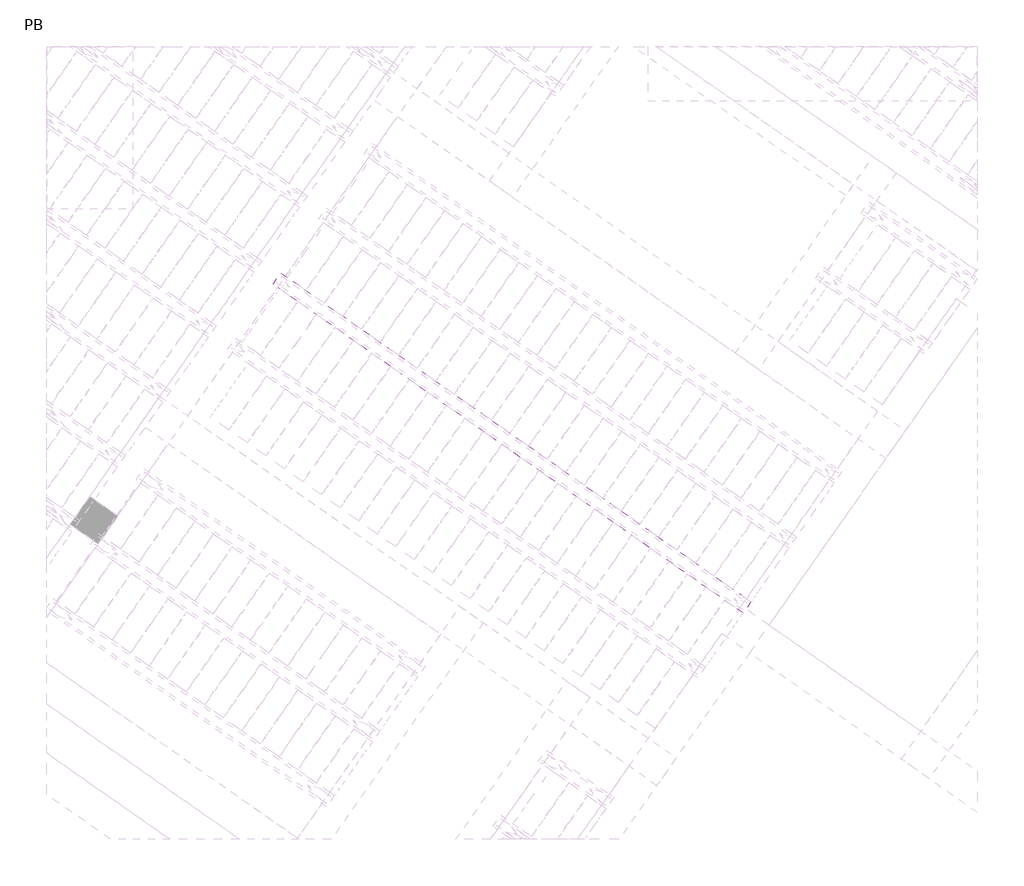
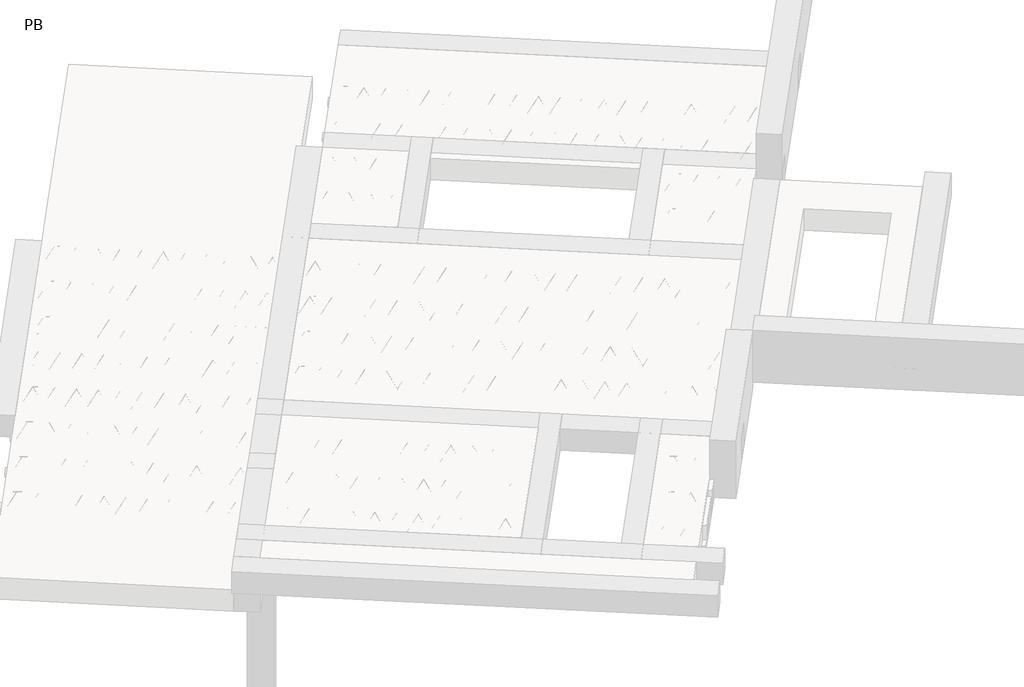
# One storey, part 22 of 56: 1 beam.
"""IFC4 building model written with IfcOpenShell, lengths in millimetres."""

from ifc_helpers import new_model, si_unit, point, frame, origin, origin_2d, place, context, project, spatial, polyline, circle_curve, trimmed, segment, composite_curve, outline, extrude, element, save

model = new_model("IFC4")

# Units and contexts
model_context = context("Model", 3, world=origin())
ifc_project = project(units=[si_unit("LENGTHUNIT", "METRE", prefix="MILLI")], contexts=[model_context])

# Site, building, storey
site = spatial("IfcSite", under=ifc_project)
building = spatial("IfcBuilding", under=site)
storey = spatial("IfcBuildingStorey", under=building, Name="PB", Elevation=95940.0)

# Beam
placement = place(None, origin())
element("IfcBeam", 1, at=placement, inside=storey, context=model_context, shape_type="SweptSolid", body=[
    extrude(outline(polyline([(3726.9826, 4349.0983498), (3795.8117724, 4447.3965951), (7945.2707155, 1541.9141634), (7876.4415431, 1443.6159181), (3726.9826, 4349.0983498)])), frame((0.0, 0.0, 99220.0), z_axis=(0.0, 0.0, 1.0), x_axis=(1.0, 0.0, 0.0)), (0.0, 0.0, 1.0), 50.0),
    extrude(outline(composite_curve([segment(trimmed(circle_curve(origin_2d(), 2.5), [point((-2.5, 0.0))], [point((2.4999999, 0.0))], False, "CARTESIAN"), True, "CONTINUOUS"), segment(trimmed(circle_curve(origin_2d(), 2.5), [point((2.4999999, 0.0))], [point((-2.5, 0.0))], False, "CARTESIAN"), True, "CONTINUOUS")], self_intersect=False)), frame((7870.5477286, 1477.0414016, 99245.0), z_axis=(-0.8191520442696126, 0.5735764363787226, 0.0), x_axis=(0.5735764363787226, 0.8191520442696126, 0.0)), (0.0, 0.0, 1.0), 5017.554035),
    extrude(outline(composite_curve([segment(trimmed(circle_curve(origin_2d(), 2.5), [point((-2.5, 0.0))], [point((2.5, 0.0))], False, "CARTESIAN"), True, "CONTINUOUS"), segment(trimmed(circle_curve(origin_2d(), 2.5), [point((2.5, 0.0))], [point((-2.5, 0.0))], False, "CARTESIAN"), True, "CONTINUOUS")], self_intersect=False)), frame((7822.5703652, 1554.5833983, 99470.0), z_axis=(-0.8191520442696126, 0.5735764363787226, 0.0), x_axis=(0.5735764363787226, 0.8191520442696126, 0.0)), (0.0, 0.0, 1.0), 4850.0),
    extrude(outline(composite_curve([segment(trimmed(circle_curve(origin_2d(), 2.5), [point((-2.5, 0.0))], [point((2.5, 0.0))], False, "CARTESIAN"), True, "CONTINUOUS"), segment(trimmed(circle_curve(origin_2d(), 2.5), [point((2.5, 0.0))], [point((-2.5, 0.0))], False, "CARTESIAN"), True, "CONTINUOUS")], self_intersect=False)), frame((7863.3580168, 1482.075692, 99245.0), z_axis=(-0.3145304735701046, 0.38933448886848654, 0.8657304643902053), x_axis=(0.7778747638402499, 0.6284193279813057, 0.0)), (0.0, 0.0, 1.0), 259.8961331),
    extrude(outline(composite_curve([segment(trimmed(circle_curve(origin_2d(), 2.5), [point((2.5, 0.0))], [point((-2.5, 1e-07))], False, "CARTESIAN"), True, "CONTINUOUS"), segment(trimmed(circle_curve(origin_2d(), 2.5), [point((-2.5, 1e-07))], [point((2.5, 0.0))], False, "CARTESIAN"), True, "CONTINUOUS")], self_intersect=False)), frame((7658.5700057, 1625.4698011, 99245.0), z_axis=(0.47343050384693375, -0.16240172737369005, 0.8657304643902051), x_axis=(-0.3244721671091268, -0.9458952440791246, 0.0)), (0.0, 0.0, 1.0), 259.8961331),
    extrude(outline(composite_curve([segment(trimmed(circle_curve(origin_2d(), 2.5), [point((-2.5, 0.0))], [point((2.5, 0.0))], False, "CARTESIAN"), True, "CONTINUOUS"), segment(trimmed(circle_curve(origin_2d(), 2.5), [point((2.5, 0.0))], [point((-2.5, 0.0))], False, "CARTESIAN"), True, "CONTINUOUS")], self_intersect=False)), frame((7658.5700057, 1625.4698011, 99245.0), z_axis=(-0.3145304735701046, 0.38933448886848654, 0.8657304643902053), x_axis=(0.7778747638402499, 0.6284193279813057, 0.0)), (0.0, 0.0, 1.0), 259.8961331),
    extrude(outline(composite_curve([segment(trimmed(circle_curve(origin_2d(), 2.5), [point((2.5, 0.0))], [point((-2.5, 0.0))], False, "CARTESIAN"), True, "CONTINUOUS"), segment(trimmed(circle_curve(origin_2d(), 2.5), [point((-2.5, 0.0))], [point((2.5, 0.0))], False, "CARTESIAN"), True, "CONTINUOUS")], self_intersect=False)), frame((7453.7819947, 1768.8639102, 99245.0), z_axis=(0.47343050384693375, -0.16240172737369005, 0.8657304643902051), x_axis=(-0.3244721671091268, -0.9458952440791246, 0.0)), (0.0, 0.0, 1.0), 259.8961331),
    extrude(outline(composite_curve([segment(trimmed(circle_curve(origin_2d(), 2.5), [point((-2.5, 0.0))], [point((2.5, 0.0))], False, "CARTESIAN"), True, "CONTINUOUS"), segment(trimmed(circle_curve(origin_2d(), 2.5), [point((2.5, 0.0))], [point((-2.5, 0.0))], False, "CARTESIAN"), True, "CONTINUOUS")], self_intersect=False)), frame((7453.7819947, 1768.8639102, 99245.0), z_axis=(-0.3145304735701046, 0.38933448886848654, 0.8657304643902053), x_axis=(0.7778747638402499, 0.6284193279813057, 0.0)), (0.0, 0.0, 1.0), 259.8961331),
    extrude(outline(composite_curve([segment(trimmed(circle_curve(origin_2d(), 2.5), [point((2.5, 0.0))], [point((-2.5, 0.0))], False, "CARTESIAN"), True, "CONTINUOUS"), segment(trimmed(circle_curve(origin_2d(), 2.5), [point((-2.5, 0.0))], [point((2.5, 0.0))], False, "CARTESIAN"), True, "CONTINUOUS")], self_intersect=False)), frame((7248.9939836, 1912.2580193, 99245.0), z_axis=(0.47343050384693375, -0.16240172737369005, 0.8657304643902051), x_axis=(-0.3244721671091268, -0.9458952440791246, 0.0)), (0.0, 0.0, 1.0), 259.8961331),
    extrude(outline(composite_curve([segment(trimmed(circle_curve(origin_2d(), 2.5), [point((-2.5, 0.0))], [point((2.5, 0.0))], False, "CARTESIAN"), True, "CONTINUOUS"), segment(trimmed(circle_curve(origin_2d(), 2.5), [point((2.5, 0.0))], [point((-2.5, 0.0))], False, "CARTESIAN"), True, "CONTINUOUS")], self_intersect=False)), frame((7248.9939836, 1912.2580193, 99245.0), z_axis=(-0.3145304735701046, 0.38933448886848654, 0.8657304643902053), x_axis=(0.7778747638402499, 0.6284193279813057, 0.0)), (0.0, 0.0, 1.0), 259.8961331),
    extrude(outline(composite_curve([segment(trimmed(circle_curve(origin_2d(), 2.5), [point((2.5, 0.0))], [point((-2.5, 1e-07))], False, "CARTESIAN"), True, "CONTINUOUS"), segment(trimmed(circle_curve(origin_2d(), 2.5), [point((-2.5, 1e-07))], [point((2.5, 0.0))], False, "CARTESIAN"), True, "CONTINUOUS")], self_intersect=False)), frame((7044.2059725, 2055.6521284, 99245.0), z_axis=(0.47343050384693375, -0.16240172737369005, 0.8657304643902051), x_axis=(-0.3244721671091268, -0.9458952440791246, 0.0)), (0.0, 0.0, 1.0), 259.8961331),
    extrude(outline(composite_curve([segment(trimmed(circle_curve(origin_2d(), 2.5), [point((-2.5, 0.0))], [point((2.5, 1e-07))], False, "CARTESIAN"), True, "CONTINUOUS"), segment(trimmed(circle_curve(origin_2d(), 2.5), [point((2.5, 1e-07))], [point((-2.5, 0.0))], False, "CARTESIAN"), True, "CONTINUOUS")], self_intersect=False)), frame((7044.2059729, 2055.6521281, 99245.0), z_axis=(-0.3145304735701046, 0.38933448886848654, 0.8657304643902053), x_axis=(0.7778747638402499, 0.6284193279813057, 0.0)), (0.0, 0.0, 1.0), 259.8961331),
    extrude(outline(composite_curve([segment(trimmed(circle_curve(origin_2d(), 2.5), [point((2.5, 0.0))], [point((-2.5, 0.0))], False, "CARTESIAN"), True, "CONTINUOUS"), segment(trimmed(circle_curve(origin_2d(), 2.5), [point((-2.5, 0.0))], [point((2.5, 0.0))], False, "CARTESIAN"), True, "CONTINUOUS")], self_intersect=False)), frame((6839.4179618, 2199.0462372, 99245.0), z_axis=(0.47343050384693375, -0.16240172737369005, 0.8657304643902051), x_axis=(-0.3244721671091268, -0.9458952440791246, 0.0)), (0.0, 0.0, 1.0), 259.8961331),
    extrude(outline(composite_curve([segment(trimmed(circle_curve(origin_2d(), 2.5), [point((-2.5, 0.0))], [point((2.5, 1e-07))], False, "CARTESIAN"), True, "CONTINUOUS"), segment(trimmed(circle_curve(origin_2d(), 2.5), [point((2.5, 1e-07))], [point((-2.5, 0.0))], False, "CARTESIAN"), True, "CONTINUOUS")], self_intersect=False)), frame((6839.4179618, 2199.0462372, 99245.0), z_axis=(-0.3145304735701046, 0.38933448886848654, 0.8657304643902053), x_axis=(0.7778747638402499, 0.6284193279813057, 0.0)), (0.0, 0.0, 1.0), 259.8961331),
    extrude(outline(composite_curve([segment(trimmed(circle_curve(origin_2d(), 2.5), [point((2.5, 0.0))], [point((-2.5, 0.0))], False, "CARTESIAN"), True, "CONTINUOUS"), segment(trimmed(circle_curve(origin_2d(), 2.5), [point((-2.5, 0.0))], [point((2.5, 0.0))], False, "CARTESIAN"), True, "CONTINUOUS")], self_intersect=False)), frame((6634.6299507, 2342.4403463, 99245.0), z_axis=(0.47343050384693375, -0.16240172737369005, 0.8657304643902051), x_axis=(-0.3244721671091268, -0.9458952440791246, 0.0)), (0.0, 0.0, 1.0), 259.8961331),
    extrude(outline(composite_curve([segment(trimmed(circle_curve(origin_2d(), 2.5), [point((-2.5, 0.0))], [point((2.5, 0.0))], False, "CARTESIAN"), True, "CONTINUOUS"), segment(trimmed(circle_curve(origin_2d(), 2.5), [point((2.5, 0.0))], [point((-2.5, 0.0))], False, "CARTESIAN"), True, "CONTINUOUS")], self_intersect=False)), frame((6634.6299507, 2342.4403463, 99245.0), z_axis=(-0.3145304735701046, 0.38933448886848654, 0.8657304643902053), x_axis=(0.7778747638402499, 0.6284193279813057, 0.0)), (0.0, 0.0, 1.0), 259.8961331),
    extrude(outline(composite_curve([segment(trimmed(circle_curve(origin_2d(), 2.5), [point((2.5, -1e-07))], [point((-2.5, 0.0))], False, "CARTESIAN"), True, "CONTINUOUS"), segment(trimmed(circle_curve(origin_2d(), 2.5), [point((-2.5, 0.0))], [point((2.5, -1e-07))], False, "CARTESIAN"), True, "CONTINUOUS")], self_intersect=False)), frame((6429.8419397, 2485.8344554, 99245.0), z_axis=(0.47343050384693375, -0.16240172737369005, 0.8657304643902051), x_axis=(-0.3244721671091268, -0.9458952440791246, 0.0)), (0.0, 0.0, 1.0), 259.8961331),
    extrude(outline(composite_curve([segment(trimmed(circle_curve(origin_2d(), 2.5), [point((-2.5, 0.0))], [point((2.5, 0.0))], False, "CARTESIAN"), True, "CONTINUOUS"), segment(trimmed(circle_curve(origin_2d(), 2.5), [point((2.5, 0.0))], [point((-2.5, 0.0))], False, "CARTESIAN"), True, "CONTINUOUS")], self_intersect=False)), frame((6429.8419397, 2485.8344554, 99245.0), z_axis=(-0.3145304735701046, 0.38933448886848654, 0.8657304643902053), x_axis=(0.7778747638402499, 0.6284193279813057, 0.0)), (0.0, 0.0, 1.0), 259.8961331),
    extrude(outline(composite_curve([segment(trimmed(circle_curve(origin_2d(), 2.5), [point((2.5, 0.0))], [point((-2.5, 0.0))], False, "CARTESIAN"), True, "CONTINUOUS"), segment(trimmed(circle_curve(origin_2d(), 2.5), [point((-2.5, 0.0))], [point((2.5, 0.0))], False, "CARTESIAN"), True, "CONTINUOUS")], self_intersect=False)), frame((6225.0539286, 2629.2285645, 99245.0), z_axis=(0.47343050384693375, -0.16240172737369005, 0.8657304643902051), x_axis=(-0.3244721671091268, -0.9458952440791246, 0.0)), (0.0, 0.0, 1.0), 259.8961331),
    extrude(outline(composite_curve([segment(trimmed(circle_curve(origin_2d(), 2.5), [point((-2.5, 0.0))], [point((2.5, 0.0))], False, "CARTESIAN"), True, "CONTINUOUS"), segment(trimmed(circle_curve(origin_2d(), 2.5), [point((2.5, 0.0))], [point((-2.5, 0.0))], False, "CARTESIAN"), True, "CONTINUOUS")], self_intersect=False)), frame((6225.0539286, 2629.2285645, 99245.0), z_axis=(-0.3145304735701046, 0.38933448886848654, 0.8657304643902053), x_axis=(0.7778747638402499, 0.6284193279813057, 0.0)), (0.0, 0.0, 1.0), 259.8961331),
    extrude(outline(composite_curve([segment(trimmed(circle_curve(origin_2d(), 2.5), [point((2.5, 0.0))], [point((-2.5, 0.0))], False, "CARTESIAN"), True, "CONTINUOUS"), segment(trimmed(circle_curve(origin_2d(), 2.5), [point((-2.5, 0.0))], [point((2.5, 0.0))], False, "CARTESIAN"), True, "CONTINUOUS")], self_intersect=False)), frame((6020.2659175, 2772.6226736, 99245.0), z_axis=(0.47343050384693375, -0.16240172737369005, 0.8657304643902051), x_axis=(-0.3244721671091268, -0.9458952440791246, 0.0)), (0.0, 0.0, 1.0), 259.8961331),
    extrude(outline(composite_curve([segment(trimmed(circle_curve(origin_2d(), 2.5), [point((-2.5, 0.0))], [point((2.5, 0.0))], False, "CARTESIAN"), True, "CONTINUOUS"), segment(trimmed(circle_curve(origin_2d(), 2.5), [point((2.5, 0.0))], [point((-2.5, 0.0))], False, "CARTESIAN"), True, "CONTINUOUS")], self_intersect=False)), frame((6020.2659175, 2772.6226736, 99245.0), z_axis=(-0.3145304735701046, 0.38933448886848654, 0.8657304643902053), x_axis=(0.7778747638402499, 0.6284193279813057, 0.0)), (0.0, 0.0, 1.0), 259.8961331),
    extrude(outline(composite_curve([segment(trimmed(circle_curve(origin_2d(), 2.5), [point((2.5, -1e-07))], [point((-2.5, 0.0))], False, "CARTESIAN"), True, "CONTINUOUS"), segment(trimmed(circle_curve(origin_2d(), 2.5), [point((-2.5, 0.0))], [point((2.5, -1e-07))], False, "CARTESIAN"), True, "CONTINUOUS")], self_intersect=False)), frame((5815.4779065, 2916.0167827, 99245.0), z_axis=(0.47343050384693375, -0.16240172737369005, 0.8657304643902051), x_axis=(-0.3244721671091268, -0.9458952440791246, 0.0)), (0.0, 0.0, 1.0), 259.8961331),
    extrude(outline(composite_curve([segment(trimmed(circle_curve(origin_2d(), 2.5), [point((-2.5000001, 1e-07))], [point((2.5, 0.0))], False, "CARTESIAN"), True, "CONTINUOUS"), segment(trimmed(circle_curve(origin_2d(), 2.5), [point((2.5, 0.0))], [point((-2.5000001, 1e-07))], False, "CARTESIAN"), True, "CONTINUOUS")], self_intersect=False)), frame((5815.4779065, 2916.0167827, 99245.0), z_axis=(-0.3145304735701046, 0.38933448886848654, 0.8657304643902053), x_axis=(0.7778747638402499, 0.6284193279813057, 0.0)), (0.0, 0.0, 1.0), 259.8961331),
    extrude(outline(composite_curve([segment(trimmed(circle_curve(origin_2d(), 2.5), [point((2.5, 0.0))], [point((-2.5, 0.0))], False, "CARTESIAN"), True, "CONTINUOUS"), segment(trimmed(circle_curve(origin_2d(), 2.5), [point((-2.5, 0.0))], [point((2.5, 0.0))], False, "CARTESIAN"), True, "CONTINUOUS")], self_intersect=False)), frame((5610.6898954, 3059.4108918, 99245.0), z_axis=(0.47343050384693375, -0.16240172737369005, 0.8657304643902051), x_axis=(-0.3244721671091268, -0.9458952440791246, 0.0)), (0.0, 0.0, 1.0), 259.8961331),
    extrude(outline(composite_curve([segment(trimmed(circle_curve(origin_2d(), 2.5), [point((-2.5, 0.0))], [point((2.5, 0.0))], False, "CARTESIAN"), True, "CONTINUOUS"), segment(trimmed(circle_curve(origin_2d(), 2.5), [point((2.5, 0.0))], [point((-2.5, 0.0))], False, "CARTESIAN"), True, "CONTINUOUS")], self_intersect=False)), frame((5610.6898954, 3059.4108918, 99245.0), z_axis=(-0.3145304735701046, 0.38933448886848654, 0.8657304643902053), x_axis=(0.7778747638402499, 0.6284193279813057, 0.0)), (0.0, 0.0, 1.0), 259.8961331),
    extrude(outline(composite_curve([segment(trimmed(circle_curve(origin_2d(), 2.5), [point((2.5, 0.0))], [point((-2.5, 0.0))], False, "CARTESIAN"), True, "CONTINUOUS"), segment(trimmed(circle_curve(origin_2d(), 2.5), [point((-2.5, 0.0))], [point((2.5, 0.0))], False, "CARTESIAN"), True, "CONTINUOUS")], self_intersect=False)), frame((5405.9018843, 3202.8050009, 99245.0), z_axis=(0.47343050384693375, -0.16240172737369005, 0.8657304643902051), x_axis=(-0.3244721671091268, -0.9458952440791246, 0.0)), (0.0, 0.0, 1.0), 259.8961331),
    extrude(outline(composite_curve([segment(trimmed(circle_curve(origin_2d(), 2.5), [point((-2.5, 0.0))], [point((2.5, 0.0))], False, "CARTESIAN"), True, "CONTINUOUS"), segment(trimmed(circle_curve(origin_2d(), 2.5), [point((2.5, 0.0))], [point((-2.5, 0.0))], False, "CARTESIAN"), True, "CONTINUOUS")], self_intersect=False)), frame((5405.9018843, 3202.8050009, 99245.0), z_axis=(-0.3145304735701046, 0.38933448886848654, 0.8657304643902053), x_axis=(0.7778747638402499, 0.6284193279813057, 0.0)), (0.0, 0.0, 1.0), 259.8961331),
    extrude(outline(composite_curve([segment(trimmed(circle_curve(origin_2d(), 2.5), [point((2.5, -1e-07))], [point((-2.5, 0.0))], False, "CARTESIAN"), True, "CONTINUOUS"), segment(trimmed(circle_curve(origin_2d(), 2.5), [point((-2.5, 0.0))], [point((2.5, -1e-07))], False, "CARTESIAN"), True, "CONTINUOUS")], self_intersect=False)), frame((5201.1138733, 3346.19911, 99245.0), z_axis=(0.47343050384693375, -0.16240172737369005, 0.8657304643902051), x_axis=(-0.3244721671091268, -0.9458952440791246, 0.0)), (0.0, 0.0, 1.0), 259.8961331),
    extrude(outline(composite_curve([segment(trimmed(circle_curve(origin_2d(), 2.5), [point((-2.5000001, 1e-07))], [point((2.5, 0.0))], False, "CARTESIAN"), True, "CONTINUOUS"), segment(trimmed(circle_curve(origin_2d(), 2.5), [point((2.5, 0.0))], [point((-2.5000001, 1e-07))], False, "CARTESIAN"), True, "CONTINUOUS")], self_intersect=False)), frame((5201.1138733, 3346.19911, 99245.0), z_axis=(-0.3145304735701046, 0.38933448886848654, 0.8657304643902053), x_axis=(0.7778747638402499, 0.6284193279813057, 0.0)), (0.0, 0.0, 1.0), 259.8961331),
    extrude(outline(composite_curve([segment(trimmed(circle_curve(origin_2d(), 2.5), [point((2.5, 0.0))], [point((-2.5, 0.0))], False, "CARTESIAN"), True, "CONTINUOUS"), segment(trimmed(circle_curve(origin_2d(), 2.5), [point((-2.5, 0.0))], [point((2.5, 0.0))], False, "CARTESIAN"), True, "CONTINUOUS")], self_intersect=False)), frame((4996.3258622, 3489.5932191, 99245.0), z_axis=(0.47343050384693375, -0.16240172737369005, 0.8657304643902051), x_axis=(-0.3244721671091268, -0.9458952440791246, 0.0)), (0.0, 0.0, 1.0), 259.8961331),
    extrude(outline(composite_curve([segment(trimmed(circle_curve(origin_2d(), 2.5), [point((-2.5, 0.0))], [point((2.5, 0.0))], False, "CARTESIAN"), True, "CONTINUOUS"), segment(trimmed(circle_curve(origin_2d(), 2.5), [point((2.5, 0.0))], [point((-2.5, 0.0))], False, "CARTESIAN"), True, "CONTINUOUS")], self_intersect=False)), frame((4996.3258622, 3489.5932191, 99245.0), z_axis=(-0.3145304735701046, 0.38933448886848654, 0.8657304643902053), x_axis=(0.7778747638402499, 0.6284193279813057, 0.0)), (0.0, 0.0, 1.0), 259.8961331),
    extrude(outline(composite_curve([segment(trimmed(circle_curve(origin_2d(), 2.5), [point((2.5, 0.0))], [point((-2.5, 0.0))], False, "CARTESIAN"), True, "CONTINUOUS"), segment(trimmed(circle_curve(origin_2d(), 2.5), [point((-2.5, 0.0))], [point((2.5, 0.0))], False, "CARTESIAN"), True, "CONTINUOUS")], self_intersect=False)), frame((4791.5378511, 3632.9873282, 99245.0), z_axis=(0.47343050384693375, -0.16240172737369005, 0.8657304643902051), x_axis=(-0.3244721671091268, -0.9458952440791246, 0.0)), (0.0, 0.0, 1.0), 259.8961331),
    extrude(outline(composite_curve([segment(trimmed(circle_curve(origin_2d(), 2.5), [point((-2.5, 0.0))], [point((2.5, 0.0))], False, "CARTESIAN"), True, "CONTINUOUS"), segment(trimmed(circle_curve(origin_2d(), 2.5), [point((2.5, 0.0))], [point((-2.5, 0.0))], False, "CARTESIAN"), True, "CONTINUOUS")], self_intersect=False)), frame((4791.5378511, 3632.9873282, 99245.0), z_axis=(-0.3145304735701046, 0.38933448886848654, 0.8657304643902053), x_axis=(0.7778747638402499, 0.6284193279813057, 0.0)), (0.0, 0.0, 1.0), 259.8961331),
    extrude(outline(composite_curve([segment(trimmed(circle_curve(origin_2d(), 2.5), [point((2.5, -1e-07))], [point((-2.5, 0.0))], False, "CARTESIAN"), True, "CONTINUOUS"), segment(trimmed(circle_curve(origin_2d(), 2.5), [point((-2.5, 0.0))], [point((2.5, -1e-07))], False, "CARTESIAN"), True, "CONTINUOUS")], self_intersect=False)), frame((4586.7498401, 3776.3814373, 99245.0), z_axis=(0.47343050384693375, -0.16240172737369005, 0.8657304643902051), x_axis=(-0.3244721671091268, -0.9458952440791246, 0.0)), (0.0, 0.0, 1.0), 259.8961331),
    extrude(outline(composite_curve([segment(trimmed(circle_curve(origin_2d(), 2.5), [point((-2.5000001, 1e-07))], [point((2.5, 0.0))], False, "CARTESIAN"), True, "CONTINUOUS"), segment(trimmed(circle_curve(origin_2d(), 2.5), [point((2.5, 0.0))], [point((-2.5000001, 1e-07))], False, "CARTESIAN"), True, "CONTINUOUS")], self_intersect=False)), frame((4586.7498401, 3776.3814373, 99245.0), z_axis=(-0.3145304735701046, 0.38933448886848654, 0.8657304643902053), x_axis=(0.7778747638402499, 0.6284193279813057, 0.0)), (0.0, 0.0, 1.0), 259.8961331),
    extrude(outline(composite_curve([segment(trimmed(circle_curve(origin_2d(), 2.5), [point((2.5, 0.0))], [point((-2.5, 0.0))], False, "CARTESIAN"), True, "CONTINUOUS"), segment(trimmed(circle_curve(origin_2d(), 2.5), [point((-2.5, 0.0))], [point((2.5, 0.0))], False, "CARTESIAN"), True, "CONTINUOUS")], self_intersect=False)), frame((4381.961829, 3919.7755464, 99245.0), z_axis=(0.47343050384693375, -0.16240172737369005, 0.8657304643902051), x_axis=(-0.3244721671091268, -0.9458952440791246, 0.0)), (0.0, 0.0, 1.0), 259.8961331),
    extrude(outline(composite_curve([segment(trimmed(circle_curve(origin_2d(), 2.5), [point((-2.5, -1e-07))], [point((2.5, 0.0))], False, "CARTESIAN"), True, "CONTINUOUS"), segment(trimmed(circle_curve(origin_2d(), 2.5), [point((2.5, 0.0))], [point((-2.5, -1e-07))], False, "CARTESIAN"), True, "CONTINUOUS")], self_intersect=False)), frame((4381.961829, 3919.7755464, 99245.0), z_axis=(-0.3145304735701046, 0.38933448886848654, 0.8657304643902053), x_axis=(0.7778747638402499, 0.6284193279813057, 0.0)), (0.0, 0.0, 1.0), 259.8961331),
    extrude(outline(composite_curve([segment(trimmed(circle_curve(origin_2d(), 2.5), [point((2.5, 0.0))], [point((-2.5, 0.0))], False, "CARTESIAN"), True, "CONTINUOUS"), segment(trimmed(circle_curve(origin_2d(), 2.5), [point((-2.5, 0.0))], [point((2.5, 0.0))], False, "CARTESIAN"), True, "CONTINUOUS")], self_intersect=False)), frame((4177.1738179, 4063.1696555, 99245.0), z_axis=(0.47343050384693375, -0.16240172737369005, 0.8657304643902051), x_axis=(-0.3244721671091268, -0.9458952440791246, 0.0)), (0.0, 0.0, 1.0), 259.8961331),
    extrude(outline(composite_curve([segment(trimmed(circle_curve(origin_2d(), 2.5), [point((-2.5, -1e-07))], [point((2.5, 0.0))], False, "CARTESIAN"), True, "CONTINUOUS"), segment(trimmed(circle_curve(origin_2d(), 2.5), [point((2.5, 0.0))], [point((-2.5, -1e-07))], False, "CARTESIAN"), True, "CONTINUOUS")], self_intersect=False)), frame((4177.1738179, 4063.1696555, 99245.0), z_axis=(-0.3145304735701046, 0.38933448886848654, 0.8657304643902053), x_axis=(0.7778747638402499, 0.6284193279813057, 0.0)), (0.0, 0.0, 1.0), 259.8961331),
    extrude(outline(composite_curve([segment(trimmed(circle_curve(origin_2d(), 2.5), [point((2.5000001, 0.0))], [point((-2.5, 0.0))], False, "CARTESIAN"), True, "CONTINUOUS"), segment(trimmed(circle_curve(origin_2d(), 2.5), [point((-2.5, 0.0))], [point((2.5000001, 0.0))], False, "CARTESIAN"), True, "CONTINUOUS")], self_intersect=False)), frame((3972.3858069, 4206.5637646, 99245.0), z_axis=(0.47343050384693375, -0.16240172737369005, 0.8657304643902051), x_axis=(-0.3244721671091268, -0.9458952440791246, 0.0)), (0.0, 0.0, 1.0), 259.8961331),
    extrude(outline(composite_curve([segment(trimmed(circle_curve(origin_2d(), 2.5), [point((-2.5000001, 0.0))], [point((2.5, 0.0))], False, "CARTESIAN"), True, "CONTINUOUS"), segment(trimmed(circle_curve(origin_2d(), 2.5), [point((2.5, 0.0))], [point((-2.5000001, 0.0))], False, "CARTESIAN"), True, "CONTINUOUS")], self_intersect=False)), frame((3972.3858069, 4206.5637646, 99245.0), z_axis=(-0.3145304735701046, 0.38933448886848654, 0.8657304643902053), x_axis=(0.7778747638402499, 0.6284193279813057, 0.0)), (0.0, 0.0, 1.0), 259.8961331),
    extrude(outline(composite_curve([segment(trimmed(circle_curve(origin_2d(), 2.5), [point((2.5000001, 0.0))], [point((-2.5, 0.0))], False, "CARTESIAN"), True, "CONTINUOUS"), segment(trimmed(circle_curve(origin_2d(), 2.5), [point((-2.5, 0.0))], [point((2.5000001, 0.0))], False, "CARTESIAN"), True, "CONTINUOUS")], self_intersect=False)), frame((3767.5977958, 4349.9578737, 99245.0), z_axis=(0.47343050384693375, -0.16240172737369005, 0.8657304643902051), x_axis=(-0.3244721671091268, -0.9458952440791246, 0.0)), (0.0, 0.0, 1.0), 259.8961331),
    extrude(outline(composite_curve([segment(trimmed(circle_curve(origin_2d(), 2.5), [point((-2.5, 0.0))], [point((2.5, 0.0))], False, "CARTESIAN"), True, "CONTINUOUS"), segment(trimmed(circle_curve(origin_2d(), 2.5), [point((2.5, 0.0))], [point((-2.5, 0.0))], False, "CARTESIAN"), True, "CONTINUOUS")], self_intersect=False)), frame((7911.845232, 1536.0203488, 99245.0), z_axis=(-0.8191520442696126, 0.5735764363787226, 0.0), x_axis=(0.5735764363787226, 0.8191520442696126, 0.0)), (0.0, 0.0, 1.0), 5017.554035),
    extrude(outline(composite_curve([segment(trimmed(circle_curve(origin_2d(), 2.5), [point((-2.5, 0.0))], [point((2.5, -1e-07))], False, "CARTESIAN"), True, "CONTINUOUS"), segment(trimmed(circle_curve(origin_2d(), 2.5), [point((2.5, -1e-07))], [point((-2.5, 0.0))], False, "CARTESIAN"), True, "CONTINUOUS")], self_intersect=False)), frame((7904.6555202, 1541.0546392, 99245.0), z_axis=(-0.47343050384693375, 0.16240172737369005, 0.8657304643902051), x_axis=(0.3244721671091268, 0.9458952440791246, 0.0)), (0.0, 0.0, 1.0), 259.8961331),
    extrude(outline(composite_curve([segment(trimmed(circle_curve(origin_2d(), 2.5), [point((2.5000001, 0.0))], [point((-2.5, 0.0))], False, "CARTESIAN"), True, "CONTINUOUS"), segment(trimmed(circle_curve(origin_2d(), 2.5), [point((-2.5, 0.0))], [point((2.5000001, 0.0))], False, "CARTESIAN"), True, "CONTINUOUS")], self_intersect=False)), frame((7699.8675092, 1684.4487483, 99245.0), z_axis=(0.3145304735701046, -0.38933448886848654, 0.8657304643902053), x_axis=(-0.7778747638402499, -0.6284193279813057, 0.0)), (0.0, 0.0, 1.0), 259.8961331),
    extrude(outline(composite_curve([segment(trimmed(circle_curve(origin_2d(), 2.5), [point((-2.5, 1e-07))], [point((2.5, 0.0))], False, "CARTESIAN"), True, "CONTINUOUS"), segment(trimmed(circle_curve(origin_2d(), 2.5), [point((2.5, 0.0))], [point((-2.5, 1e-07))], False, "CARTESIAN"), True, "CONTINUOUS")], self_intersect=False)), frame((7699.8675092, 1684.4487483, 99245.0), z_axis=(-0.47343050384693375, 0.16240172737369005, 0.8657304643902051), x_axis=(0.3244721671091268, 0.9458952440791246, 0.0)), (0.0, 0.0, 1.0), 259.8961331),
    extrude(outline(composite_curve([segment(trimmed(circle_curve(origin_2d(), 2.5), [point((2.5, 1e-07))], [point((-2.5, 0.0))], False, "CARTESIAN"), True, "CONTINUOUS"), segment(trimmed(circle_curve(origin_2d(), 2.5), [point((-2.5, 0.0))], [point((2.5, 1e-07))], False, "CARTESIAN"), True, "CONTINUOUS")], self_intersect=False)), frame((7495.0794981, 1827.8428574, 99245.0), z_axis=(0.3145304735701046, -0.38933448886848654, 0.8657304643902053), x_axis=(-0.7778747638402499, -0.6284193279813057, 0.0)), (0.0, 0.0, 1.0), 259.8961331),
    extrude(outline(composite_curve([segment(trimmed(circle_curve(origin_2d(), 2.5), [point((-2.5, 0.0))], [point((2.5, 0.0))], False, "CARTESIAN"), True, "CONTINUOUS"), segment(trimmed(circle_curve(origin_2d(), 2.5), [point((2.5, 0.0))], [point((-2.5, 0.0))], False, "CARTESIAN"), True, "CONTINUOUS")], self_intersect=False)), frame((7495.0794981, 1827.8428574, 99245.0), z_axis=(-0.47343050384693375, 0.16240172737369005, 0.8657304643902051), x_axis=(0.3244721671091268, 0.9458952440791246, 0.0)), (0.0, 0.0, 1.0), 259.8961331),
    extrude(outline(composite_curve([segment(trimmed(circle_curve(origin_2d(), 2.5), [point((2.5, 1e-07))], [point((-2.5, 0.0))], False, "CARTESIAN"), True, "CONTINUOUS"), segment(trimmed(circle_curve(origin_2d(), 2.5), [point((-2.5, 0.0))], [point((2.5, 1e-07))], False, "CARTESIAN"), True, "CONTINUOUS")], self_intersect=False)), frame((7290.291487, 1971.2369665, 99245.0), z_axis=(0.3145304735701046, -0.38933448886848654, 0.8657304643902053), x_axis=(-0.7778747638402499, -0.6284193279813057, 0.0)), (0.0, 0.0, 1.0), 259.8961331),
    extrude(outline(composite_curve([segment(trimmed(circle_curve(origin_2d(), 2.5), [point((-2.5000001, 0.0))], [point((2.5, 0.0))], False, "CARTESIAN"), True, "CONTINUOUS"), segment(trimmed(circle_curve(origin_2d(), 2.5), [point((2.5, 0.0))], [point((-2.5000001, 0.0))], False, "CARTESIAN"), True, "CONTINUOUS")], self_intersect=False)), frame((7290.291487, 1971.2369665, 99245.0), z_axis=(-0.47343050384693375, 0.16240172737369005, 0.8657304643902051), x_axis=(0.3244721671091268, 0.9458952440791246, 0.0)), (0.0, 0.0, 1.0), 259.8961331),
    extrude(outline(composite_curve([segment(trimmed(circle_curve(origin_2d(), 2.5), [point((2.5000001, 0.0))], [point((-2.5, 0.0))], False, "CARTESIAN"), True, "CONTINUOUS"), segment(trimmed(circle_curve(origin_2d(), 2.5), [point((-2.5, 0.0))], [point((2.5000001, 0.0))], False, "CARTESIAN"), True, "CONTINUOUS")], self_intersect=False)), frame((7085.503476, 2114.6310756, 99245.0), z_axis=(0.3145304735701046, -0.38933448886848654, 0.8657304643902053), x_axis=(-0.7778747638402499, -0.6284193279813057, 0.0)), (0.0, 0.0, 1.0), 259.8961331),
    extrude(outline(composite_curve([segment(trimmed(circle_curve(origin_2d(), 2.5), [point((-2.5, 0.0))], [point((2.5, 0.0))], False, "CARTESIAN"), True, "CONTINUOUS"), segment(trimmed(circle_curve(origin_2d(), 2.5), [point((2.5, 0.0))], [point((-2.5, 0.0))], False, "CARTESIAN"), True, "CONTINUOUS")], self_intersect=False)), frame((7085.5034763, 2114.6310753, 99245.0), z_axis=(-0.47343050384693375, 0.16240172737369005, 0.8657304643902051), x_axis=(0.3244721671091268, 0.9458952440791246, 0.0)), (0.0, 0.0, 1.0), 259.8961331),
    extrude(outline(composite_curve([segment(trimmed(circle_curve(origin_2d(), 2.5), [point((2.5, 0.0))], [point((-2.5, 0.0))], False, "CARTESIAN"), True, "CONTINUOUS"), segment(trimmed(circle_curve(origin_2d(), 2.5), [point((-2.5, 0.0))], [point((2.5, 0.0))], False, "CARTESIAN"), True, "CONTINUOUS")], self_intersect=False)), frame((6880.7154652, 2258.0251844, 99245.0), z_axis=(0.3145304735701046, -0.38933448886848654, 0.8657304643902053), x_axis=(-0.7778747638402499, -0.6284193279813057, 0.0)), (0.0, 0.0, 1.0), 259.8961331),
    extrude(outline(composite_curve([segment(trimmed(circle_curve(origin_2d(), 2.5), [point((-2.5, 0.0))], [point((2.5, 0.0))], False, "CARTESIAN"), True, "CONTINUOUS"), segment(trimmed(circle_curve(origin_2d(), 2.5), [point((2.5, 0.0))], [point((-2.5, 0.0))], False, "CARTESIAN"), True, "CONTINUOUS")], self_intersect=False)), frame((6880.7154652, 2258.0251844, 99245.0), z_axis=(-0.47343050384693375, 0.16240172737369005, 0.8657304643902051), x_axis=(0.3244721671091268, 0.9458952440791246, 0.0)), (0.0, 0.0, 1.0), 259.8961331),
    extrude(outline(composite_curve([segment(trimmed(circle_curve(origin_2d(), 2.5), [point((2.5, 0.0))], [point((-2.5000001, 1e-07))], False, "CARTESIAN"), True, "CONTINUOUS"), segment(trimmed(circle_curve(origin_2d(), 2.5), [point((-2.5000001, 1e-07))], [point((2.5, 0.0))], False, "CARTESIAN"), True, "CONTINUOUS")], self_intersect=False)), frame((6675.9274541, 2401.4192935, 99245.0), z_axis=(0.3145304735701046, -0.38933448886848654, 0.8657304643902053), x_axis=(-0.7778747638402499, -0.6284193279813057, 0.0)), (0.0, 0.0, 1.0), 259.8961331),
    extrude(outline(composite_curve([segment(trimmed(circle_curve(origin_2d(), 2.5), [point((-2.5, 0.0))], [point((2.5, -1e-07))], False, "CARTESIAN"), True, "CONTINUOUS"), segment(trimmed(circle_curve(origin_2d(), 2.5), [point((2.5, -1e-07))], [point((-2.5, 0.0))], False, "CARTESIAN"), True, "CONTINUOUS")], self_intersect=False)), frame((6675.9274541, 2401.4192935, 99245.0), z_axis=(-0.47343050384693375, 0.16240172737369005, 0.8657304643902051), x_axis=(0.3244721671091268, 0.9458952440791246, 0.0)), (0.0, 0.0, 1.0), 259.8961331),
    extrude(outline(composite_curve([segment(trimmed(circle_curve(origin_2d(), 2.5), [point((2.5, 0.0))], [point((-2.5, 0.0))], False, "CARTESIAN"), True, "CONTINUOUS"), segment(trimmed(circle_curve(origin_2d(), 2.5), [point((-2.5, 0.0))], [point((2.5, 0.0))], False, "CARTESIAN"), True, "CONTINUOUS")], self_intersect=False)), frame((6471.1394431, 2544.8134026, 99245.0), z_axis=(0.3145304735701046, -0.38933448886848654, 0.8657304643902053), x_axis=(-0.7778747638402499, -0.6284193279813057, 0.0)), (0.0, 0.0, 1.0), 259.8961331),
    extrude(outline(composite_curve([segment(trimmed(circle_curve(origin_2d(), 2.5), [point((-2.5, 0.0))], [point((2.5, 0.0))], False, "CARTESIAN"), True, "CONTINUOUS"), segment(trimmed(circle_curve(origin_2d(), 2.5), [point((2.5, 0.0))], [point((-2.5, 0.0))], False, "CARTESIAN"), True, "CONTINUOUS")], self_intersect=False)), frame((6471.1394431, 2544.8134026, 99245.0), z_axis=(-0.47343050384693375, 0.16240172737369005, 0.8657304643902051), x_axis=(0.3244721671091268, 0.9458952440791246, 0.0)), (0.0, 0.0, 1.0), 259.8961331),
    extrude(outline(composite_curve([segment(trimmed(circle_curve(origin_2d(), 2.5), [point((2.5, 0.0))], [point((-2.5, 0.0))], False, "CARTESIAN"), True, "CONTINUOUS"), segment(trimmed(circle_curve(origin_2d(), 2.5), [point((-2.5, 0.0))], [point((2.5, 0.0))], False, "CARTESIAN"), True, "CONTINUOUS")], self_intersect=False)), frame((6266.351432, 2688.2075117, 99245.0), z_axis=(0.3145304735701046, -0.38933448886848654, 0.8657304643902053), x_axis=(-0.7778747638402499, -0.6284193279813057, 0.0)), (0.0, 0.0, 1.0), 259.8961331),
    extrude(outline(composite_curve([segment(trimmed(circle_curve(origin_2d(), 2.5), [point((-2.5, 0.0))], [point((2.5, 0.0))], False, "CARTESIAN"), True, "CONTINUOUS"), segment(trimmed(circle_curve(origin_2d(), 2.5), [point((2.5, 0.0))], [point((-2.5, 0.0))], False, "CARTESIAN"), True, "CONTINUOUS")], self_intersect=False)), frame((6266.351432, 2688.2075117, 99245.0), z_axis=(-0.47343050384693375, 0.16240172737369005, 0.8657304643902051), x_axis=(0.3244721671091268, 0.9458952440791246, 0.0)), (0.0, 0.0, 1.0), 259.8961331),
    extrude(outline(composite_curve([segment(trimmed(circle_curve(origin_2d(), 2.5), [point((2.5, 0.0))], [point((-2.5000001, 1e-07))], False, "CARTESIAN"), True, "CONTINUOUS"), segment(trimmed(circle_curve(origin_2d(), 2.5), [point((-2.5000001, 1e-07))], [point((2.5, 0.0))], False, "CARTESIAN"), True, "CONTINUOUS")], self_intersect=False)), frame((6061.5634209, 2831.6016208, 99245.0), z_axis=(0.3145304735701046, -0.38933448886848654, 0.8657304643902053), x_axis=(-0.7778747638402499, -0.6284193279813057, 0.0)), (0.0, 0.0, 1.0), 259.8961331),
    extrude(outline(composite_curve([segment(trimmed(circle_curve(origin_2d(), 2.5), [point((-2.5, 0.0))], [point((2.5, -1e-07))], False, "CARTESIAN"), True, "CONTINUOUS"), segment(trimmed(circle_curve(origin_2d(), 2.5), [point((2.5, -1e-07))], [point((-2.5, 0.0))], False, "CARTESIAN"), True, "CONTINUOUS")], self_intersect=False)), frame((6061.5634209, 2831.6016208, 99245.0), z_axis=(-0.47343050384693375, 0.16240172737369005, 0.8657304643902051), x_axis=(0.3244721671091268, 0.9458952440791246, 0.0)), (0.0, 0.0, 1.0), 259.8961331),
    extrude(outline(composite_curve([segment(trimmed(circle_curve(origin_2d(), 2.5), [point((2.5, 0.0))], [point((-2.5, 0.0))], False, "CARTESIAN"), True, "CONTINUOUS"), segment(trimmed(circle_curve(origin_2d(), 2.5), [point((-2.5, 0.0))], [point((2.5, 0.0))], False, "CARTESIAN"), True, "CONTINUOUS")], self_intersect=False)), frame((5856.7754099, 2974.9957299, 99245.0), z_axis=(0.3145304735701046, -0.38933448886848654, 0.8657304643902053), x_axis=(-0.7778747638402499, -0.6284193279813057, 0.0)), (0.0, 0.0, 1.0), 259.8961331),
    extrude(outline(composite_curve([segment(trimmed(circle_curve(origin_2d(), 2.5), [point((-2.5, 0.0))], [point((2.5, 0.0))], False, "CARTESIAN"), True, "CONTINUOUS"), segment(trimmed(circle_curve(origin_2d(), 2.5), [point((2.5, 0.0))], [point((-2.5, 0.0))], False, "CARTESIAN"), True, "CONTINUOUS")], self_intersect=False)), frame((5856.7754099, 2974.9957299, 99245.0), z_axis=(-0.47343050384693375, 0.16240172737369005, 0.8657304643902051), x_axis=(0.3244721671091268, 0.9458952440791246, 0.0)), (0.0, 0.0, 1.0), 259.8961331),
    extrude(outline(composite_curve([segment(trimmed(circle_curve(origin_2d(), 2.5), [point((2.5, 0.0))], [point((-2.5, 0.0))], False, "CARTESIAN"), True, "CONTINUOUS"), segment(trimmed(circle_curve(origin_2d(), 2.5), [point((-2.5, 0.0))], [point((2.5, 0.0))], False, "CARTESIAN"), True, "CONTINUOUS")], self_intersect=False)), frame((5651.9873988, 3118.389839, 99245.0), z_axis=(0.3145304735701046, -0.38933448886848654, 0.8657304643902053), x_axis=(-0.7778747638402499, -0.6284193279813057, 0.0)), (0.0, 0.0, 1.0), 259.8961331),
    extrude(outline(composite_curve([segment(trimmed(circle_curve(origin_2d(), 2.5), [point((-2.5, 0.0))], [point((2.5, 0.0))], False, "CARTESIAN"), True, "CONTINUOUS"), segment(trimmed(circle_curve(origin_2d(), 2.5), [point((2.5, 0.0))], [point((-2.5, 0.0))], False, "CARTESIAN"), True, "CONTINUOUS")], self_intersect=False)), frame((5651.9873988, 3118.389839, 99245.0), z_axis=(-0.47343050384693375, 0.16240172737369005, 0.8657304643902051), x_axis=(0.3244721671091268, 0.9458952440791246, 0.0)), (0.0, 0.0, 1.0), 259.8961331),
    extrude(outline(composite_curve([segment(trimmed(circle_curve(origin_2d(), 2.5), [point((2.5, 0.0))], [point((-2.5000001, 1e-07))], False, "CARTESIAN"), True, "CONTINUOUS"), segment(trimmed(circle_curve(origin_2d(), 2.5), [point((-2.5000001, 1e-07))], [point((2.5, 0.0))], False, "CARTESIAN"), True, "CONTINUOUS")], self_intersect=False)), frame((5447.1993877, 3261.7839481, 99245.0), z_axis=(0.3145304735701046, -0.38933448886848654, 0.8657304643902053), x_axis=(-0.7778747638402499, -0.6284193279813057, 0.0)), (0.0, 0.0, 1.0), 259.8961331),
    extrude(outline(composite_curve([segment(trimmed(circle_curve(origin_2d(), 2.5), [point((-2.5, 0.0))], [point((2.5, -1e-07))], False, "CARTESIAN"), True, "CONTINUOUS"), segment(trimmed(circle_curve(origin_2d(), 2.5), [point((2.5, -1e-07))], [point((-2.5, 0.0))], False, "CARTESIAN"), True, "CONTINUOUS")], self_intersect=False)), frame((5447.1993877, 3261.7839481, 99245.0), z_axis=(-0.47343050384693375, 0.16240172737369005, 0.8657304643902051), x_axis=(0.3244721671091268, 0.9458952440791246, 0.0)), (0.0, 0.0, 1.0), 259.8961331),
    extrude(outline(composite_curve([segment(trimmed(circle_curve(origin_2d(), 2.5), [point((2.5, 0.0))], [point((-2.5, 0.0))], False, "CARTESIAN"), True, "CONTINUOUS"), segment(trimmed(circle_curve(origin_2d(), 2.5), [point((-2.5, 0.0))], [point((2.5, 0.0))], False, "CARTESIAN"), True, "CONTINUOUS")], self_intersect=False)), frame((5242.4113767, 3405.1780572, 99245.0), z_axis=(0.3145304735701046, -0.38933448886848654, 0.8657304643902053), x_axis=(-0.7778747638402499, -0.6284193279813057, 0.0)), (0.0, 0.0, 1.0), 259.8961331),
    extrude(outline(composite_curve([segment(trimmed(circle_curve(origin_2d(), 2.5), [point((-2.5, 0.0))], [point((2.5, 0.0))], False, "CARTESIAN"), True, "CONTINUOUS"), segment(trimmed(circle_curve(origin_2d(), 2.5), [point((2.5, 0.0))], [point((-2.5, 0.0))], False, "CARTESIAN"), True, "CONTINUOUS")], self_intersect=False)), frame((5242.4113767, 3405.1780572, 99245.0), z_axis=(-0.47343050384693375, 0.16240172737369005, 0.8657304643902051), x_axis=(0.3244721671091268, 0.9458952440791246, 0.0)), (0.0, 0.0, 1.0), 259.8961331),
    extrude(outline(composite_curve([segment(trimmed(circle_curve(origin_2d(), 2.5), [point((2.5, 1e-07))], [point((-2.5, 0.0))], False, "CARTESIAN"), True, "CONTINUOUS"), segment(trimmed(circle_curve(origin_2d(), 2.5), [point((-2.5, 0.0))], [point((2.5, 1e-07))], False, "CARTESIAN"), True, "CONTINUOUS")], self_intersect=False)), frame((5037.6233656, 3548.5721663, 99245.0), z_axis=(0.3145304735701046, -0.38933448886848654, 0.8657304643902053), x_axis=(-0.7778747638402499, -0.6284193279813057, 0.0)), (0.0, 0.0, 1.0), 259.8961331),
    extrude(outline(composite_curve([segment(trimmed(circle_curve(origin_2d(), 2.5), [point((-2.5, 0.0))], [point((2.5, 0.0))], False, "CARTESIAN"), True, "CONTINUOUS"), segment(trimmed(circle_curve(origin_2d(), 2.5), [point((2.5, 0.0))], [point((-2.5, 0.0))], False, "CARTESIAN"), True, "CONTINUOUS")], self_intersect=False)), frame((5037.6233656, 3548.5721663, 99245.0), z_axis=(-0.47343050384693375, 0.16240172737369005, 0.8657304643902051), x_axis=(0.3244721671091268, 0.9458952440791246, 0.0)), (0.0, 0.0, 1.0), 259.8961331),
    extrude(outline(composite_curve([segment(trimmed(circle_curve(origin_2d(), 2.5), [point((2.5, 1e-07))], [point((-2.5000001, 1e-07))], False, "CARTESIAN"), True, "CONTINUOUS"), segment(trimmed(circle_curve(origin_2d(), 2.5), [point((-2.5000001, 1e-07))], [point((2.5, 1e-07))], False, "CARTESIAN"), True, "CONTINUOUS")], self_intersect=False)), frame((4832.8353545, 3691.9662754, 99245.0), z_axis=(0.3145304735701046, -0.38933448886848654, 0.8657304643902053), x_axis=(-0.7778747638402499, -0.6284193279813057, 0.0)), (0.0, 0.0, 1.0), 259.8961331),
    extrude(outline(composite_curve([segment(trimmed(circle_curve(origin_2d(), 2.5), [point((-2.5, 0.0))], [point((2.5, -1e-07))], False, "CARTESIAN"), True, "CONTINUOUS"), segment(trimmed(circle_curve(origin_2d(), 2.5), [point((2.5, -1e-07))], [point((-2.5, 0.0))], False, "CARTESIAN"), True, "CONTINUOUS")], self_intersect=False)), frame((4832.8353545, 3691.9662754, 99245.0), z_axis=(-0.47343050384693375, 0.16240172737369005, 0.8657304643902051), x_axis=(0.3244721671091268, 0.9458952440791246, 0.0)), (0.0, 0.0, 1.0), 259.8961331),
    extrude(outline(composite_curve([segment(trimmed(circle_curve(origin_2d(), 2.5), [point((2.5, 1e-07))], [point((-2.5, 0.0))], False, "CARTESIAN"), True, "CONTINUOUS"), segment(trimmed(circle_curve(origin_2d(), 2.5), [point((-2.5, 0.0))], [point((2.5, 1e-07))], False, "CARTESIAN"), True, "CONTINUOUS")], self_intersect=False)), frame((4628.0473435, 3835.3603845, 99245.0), z_axis=(0.3145304735701046, -0.38933448886848654, 0.8657304643902053), x_axis=(-0.7778747638402499, -0.6284193279813057, 0.0)), (0.0, 0.0, 1.0), 259.8961331),
    extrude(outline(composite_curve([segment(trimmed(circle_curve(origin_2d(), 2.5), [point((-2.5, 0.0))], [point((2.5, 0.0))], False, "CARTESIAN"), True, "CONTINUOUS"), segment(trimmed(circle_curve(origin_2d(), 2.5), [point((2.5, 0.0))], [point((-2.5, 0.0))], False, "CARTESIAN"), True, "CONTINUOUS")], self_intersect=False)), frame((4628.0473435, 3835.3603845, 99245.0), z_axis=(-0.47343050384693375, 0.16240172737369005, 0.8657304643902051), x_axis=(0.3244721671091268, 0.9458952440791246, 0.0)), (0.0, 0.0, 1.0), 259.8961331),
    extrude(outline(composite_curve([segment(trimmed(circle_curve(origin_2d(), 2.5), [point((2.5, 1e-07))], [point((-2.5, 0.0))], False, "CARTESIAN"), True, "CONTINUOUS"), segment(trimmed(circle_curve(origin_2d(), 2.5), [point((-2.5, 0.0))], [point((2.5, 1e-07))], False, "CARTESIAN"), True, "CONTINUOUS")], self_intersect=False)), frame((4423.2593324, 3978.7544936, 99245.0), z_axis=(0.3145304735701046, -0.38933448886848654, 0.8657304643902053), x_axis=(-0.7778747638402499, -0.6284193279813057, 0.0)), (0.0, 0.0, 1.0), 259.8961331),
    extrude(outline(composite_curve([segment(trimmed(circle_curve(origin_2d(), 2.5), [point((-2.5000001, 0.0))], [point((2.5, 0.0))], False, "CARTESIAN"), True, "CONTINUOUS"), segment(trimmed(circle_curve(origin_2d(), 2.5), [point((2.5, 0.0))], [point((-2.5000001, 0.0))], False, "CARTESIAN"), True, "CONTINUOUS")], self_intersect=False)), frame((4423.2593324, 3978.7544936, 99245.0), z_axis=(-0.47343050384693375, 0.16240172737369005, 0.8657304643902051), x_axis=(0.3244721671091268, 0.9458952440791246, 0.0)), (0.0, 0.0, 1.0), 259.8961331),
    extrude(outline(composite_curve([segment(trimmed(circle_curve(origin_2d(), 2.5), [point((2.5, 0.0))], [point((-2.5, -1e-07))], False, "CARTESIAN"), True, "CONTINUOUS"), segment(trimmed(circle_curve(origin_2d(), 2.5), [point((-2.5, -1e-07))], [point((2.5, 0.0))], False, "CARTESIAN"), True, "CONTINUOUS")], self_intersect=False)), frame((4218.4713213, 4122.1486026, 99245.0), z_axis=(0.3145304735701046, -0.38933448886848654, 0.8657304643902053), x_axis=(-0.7778747638402499, -0.6284193279813057, 0.0)), (0.0, 0.0, 1.0), 259.8961331),
    extrude(outline(composite_curve([segment(trimmed(circle_curve(origin_2d(), 2.5), [point((-2.5, 0.0))], [point((2.5000001, 0.0))], False, "CARTESIAN"), True, "CONTINUOUS"), segment(trimmed(circle_curve(origin_2d(), 2.5), [point((2.5000001, 0.0))], [point((-2.5, 0.0))], False, "CARTESIAN"), True, "CONTINUOUS")], self_intersect=False)), frame((4218.4713213, 4122.1486026, 99245.0), z_axis=(-0.47343050384693375, 0.16240172737369005, 0.8657304643902051), x_axis=(0.3244721671091268, 0.9458952440791246, 0.0)), (0.0, 0.0, 1.0), 259.8961331),
    extrude(outline(composite_curve([segment(trimmed(circle_curve(origin_2d(), 2.5), [point((2.5, 0.0))], [point((-2.5, -1e-07))], False, "CARTESIAN"), True, "CONTINUOUS"), segment(trimmed(circle_curve(origin_2d(), 2.5), [point((-2.5, -1e-07))], [point((2.5, 0.0))], False, "CARTESIAN"), True, "CONTINUOUS")], self_intersect=False)), frame((4013.6833103, 4265.5427117, 99245.0), z_axis=(0.3145304735701046, -0.38933448886848654, 0.8657304643902053), x_axis=(-0.7778747638402499, -0.6284193279813057, 0.0)), (0.0, 0.0, 1.0), 259.8961331),
    extrude(outline(composite_curve([segment(trimmed(circle_curve(origin_2d(), 2.5), [point((-2.5, 0.0))], [point((2.5000001, 0.0))], False, "CARTESIAN"), True, "CONTINUOUS"), segment(trimmed(circle_curve(origin_2d(), 2.5), [point((2.5000001, 0.0))], [point((-2.5, 0.0))], False, "CARTESIAN"), True, "CONTINUOUS")], self_intersect=False)), frame((4013.6833103, 4265.5427117, 99245.0), z_axis=(-0.47343050384693375, 0.16240172737369005, 0.8657304643902051), x_axis=(0.3244721671091268, 0.9458952440791246, 0.0)), (0.0, 0.0, 1.0), 259.8961331),
    extrude(outline(composite_curve([segment(trimmed(circle_curve(origin_2d(), 2.5), [point((2.5, 0.0))], [point((-2.5, -1e-07))], False, "CARTESIAN"), True, "CONTINUOUS"), segment(trimmed(circle_curve(origin_2d(), 2.5), [point((-2.5, -1e-07))], [point((2.5, 0.0))], False, "CARTESIAN"), True, "CONTINUOUS")], self_intersect=False)), frame((3808.8952992, 4408.9368208, 99245.0), z_axis=(0.3145304735701046, -0.38933448886848654, 0.8657304643902053), x_axis=(-0.7778747638402499, -0.6284193279813057, 0.0)), (0.0, 0.0, 1.0), 259.8961331),
])

save(model, "model.ifc")
